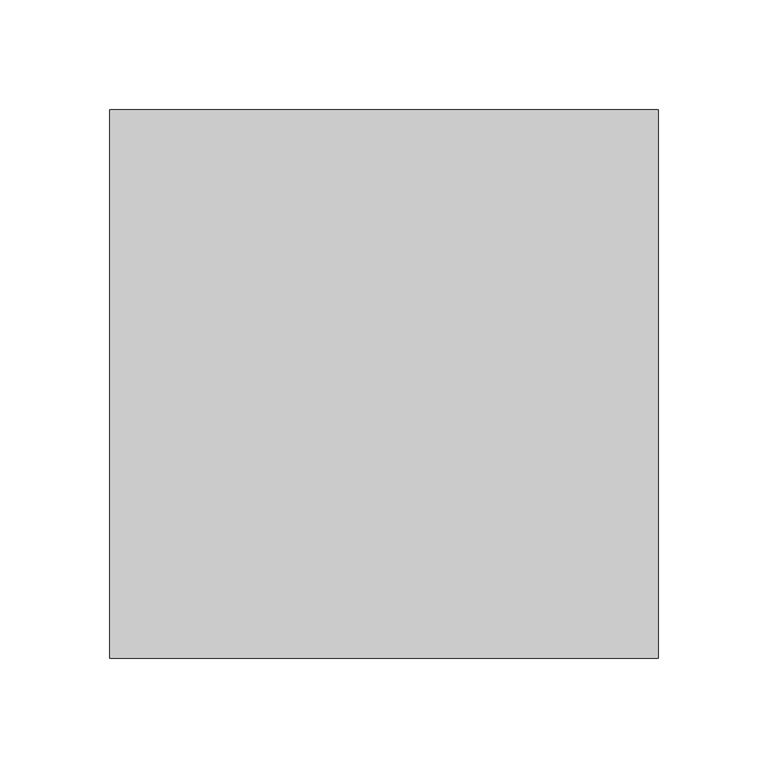
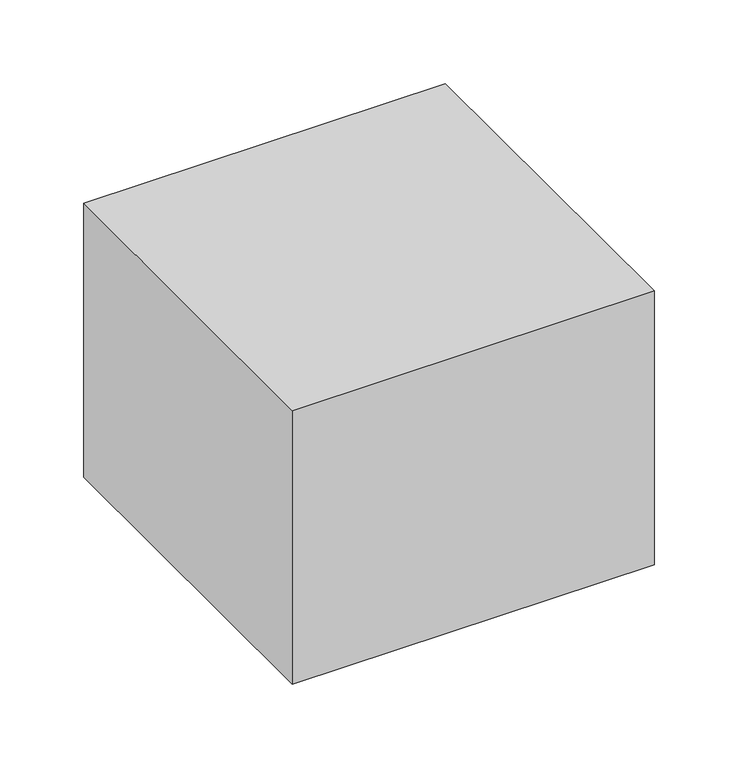
"""IFC4 building model written with IfcOpenShell, lengths in millimetres: proxy geometry."""

from ifc_helpers import new_model, si_unit, frame, origin, place, context, project, spatial, polyline, outline, extrude, source, transform, mapped, element, save


def generic_models_b69ed8e5(model_context):
    return source(origin(), model_context, "Body", "SweptSolid", [
        extrude(outline(polyline([(125.0, 125.0), (125.0, -125.0), (-125.0, -125.0), (-125.0, 125.0), (125.0, 125.0)])), frame((0.0, 0.0, -200.0), z_axis=(0.0, 0.0, 1.0), x_axis=(1.0, 0.0, 0.0)), (0.0, 0.0, 1.0), 200.0),
    ])


if __name__ == "__main__":
    model = new_model("IFC4")
    model_context = context("Model", 3, world=origin())
    ifc_project = project(units=[si_unit("LENGTHUNIT", "METRE", prefix="MILLI")], contexts=[model_context])
    site = spatial("IfcSite", under=ifc_project)
    building = spatial("IfcBuilding", under=site)
    placement = place(None, origin())
    generic_models_shape = generic_models_b69ed8e5(model_context)
    element("IfcBuildingElementProxy", 1, Name="Generic Models", at=placement, inside=building, context=model_context, shape_type="MappedRepresentation", body=[
        mapped(generic_models_shape, transform((0.0, 0.0, 0.0), x_axis=(1.0, 0.0, 0.0), y_axis=(0.0, 1.0, 0.0), z_axis=(0.0, 0.0, 1.0))),
    ])
    save(model, "model.ifc")
